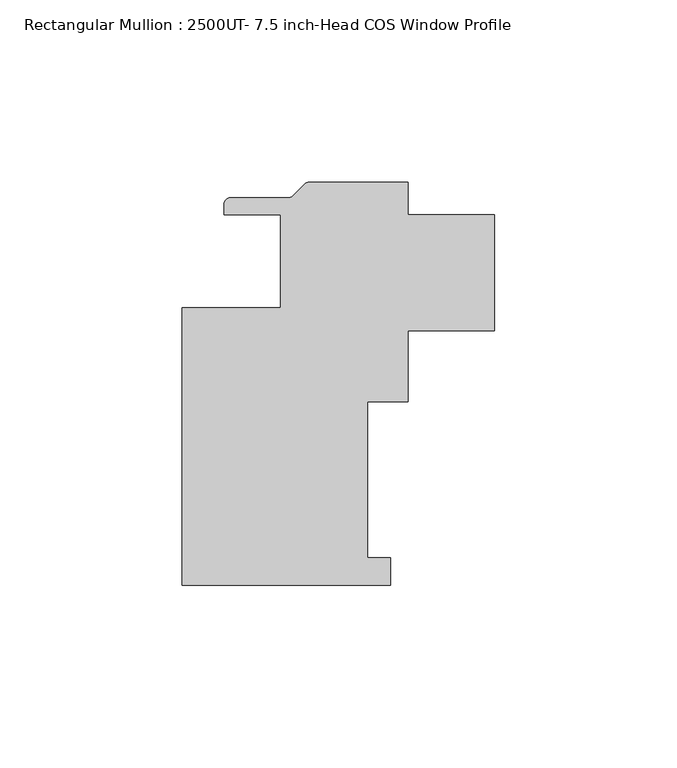
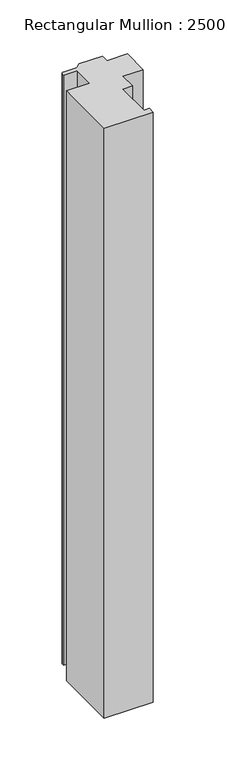
"""IFC4 building model written with IfcOpenShell, lengths in millimetres: member geometry, Rectangular Mullion : 2500UT- 7.5 inch-Head COS Window Profile."""

from ifc_helpers import new_model, si_unit, point, frame, frame_2d, origin, place, context, project, spatial, polyline, circle_curve, trimmed, segment, composite_curve, outline, extrude, source, transform, mapped, element, save


def rectangular_mullion_2500ut_7_5_inch_head_cos_window_profile_40f1abff(model_context):
    return source(origin(), model_context, "Body", "SweptSolid", [
        extrude(outline(composite_curve([segment(polyline([(-61.9322474, -88.9365125), (-61.9322474, -12.7365127), (-34.9447474, -12.7365127), (-34.9447474, 12.6634874), (-50.4458969, 12.6634874), (-50.4458969, 15.5844875)]), True, "CONTINUOUS"), segment(trimmed(circle_curve(frame_2d((-48.6678969, 15.5844875)), 1.778), [point((-50.4458969, 15.5844875))], [point((-48.6678969, 17.3624875))], False, "CARTESIAN"), True, "CONTINUOUS"), segment(polyline([(-48.6678969, 17.3624875), (-32.7998608, 17.3624875)]), True, "CONTINUOUS"), segment(trimmed(circle_curve(frame_2d((-32.7998608, 19.1404875)), 1.778), [point((-32.7998608, 17.3624875))], [point((-31.542625, 17.8832516))], True, "CARTESIAN"), True, "CONTINUOUS"), segment(polyline([(-31.542625, 17.8832516), (-28.3169533, 21.1089234)]), True, "CONTINUOUS"), segment(trimmed(circle_curve(frame_2d((-27.0597174, 19.8516875)), 1.778), [point((-28.3169533, 21.1089234))], [point((-27.0597174, 21.6296875))], False, "CARTESIAN"), True, "CONTINUOUS"), segment(polyline([(-27.0597174, 21.6296875), (0.0, 21.6296875), (0.0, 12.6642814), (23.7998, 12.6642814), (23.7998, -19.0857186), (0.0037083, -19.0857186), (0.0037083, -38.6127625), (-11.1087917, -38.6127625), (-11.1087917, -81.3165125), (-4.7587917, -81.3165125), (-4.7587917, -88.9365125), (-61.9322474, -88.9365125)]), True, "CONTINUOUS")], self_intersect=False)), frame((0.0, 0.0, -727.0824167), z_axis=(0.0, 0.0, 1.0), x_axis=(1.0, 0.0, 0.0)), (0.0, 0.0, 1.0), 727.0824167),
    ])


if __name__ == "__main__":
    model = new_model("IFC4")
    model_context = context("Model", 3, world=origin())
    ifc_project = project(units=[si_unit("LENGTHUNIT", "METRE", prefix="MILLI")], contexts=[model_context])
    site = spatial("IfcSite", under=ifc_project)
    building = spatial("IfcBuilding", under=site)
    placement = place(None, origin())
    rectangular_mullion_2500ut_7_5_inch_head_cos_window_profile_shape = rectangular_mullion_2500ut_7_5_inch_head_cos_window_profile_40f1abff(model_context)
    element("IfcMember", 1, ObjectType="Rectangular Mullion : 2500UT- 7.5 inch-Head COS Window Profile", at=placement, inside=building, context=model_context, shape_type="MappedRepresentation", body=[
        mapped(rectangular_mullion_2500ut_7_5_inch_head_cos_window_profile_shape, transform((0.0, 0.0, 0.0), x_axis=(1.0, 0.0, 0.0), y_axis=(0.0, 1.0, 0.0), z_axis=(0.0, 0.0, 1.0))),
    ])
    save(model, "model.ifc")
